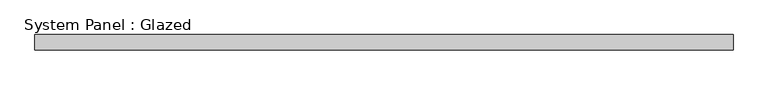
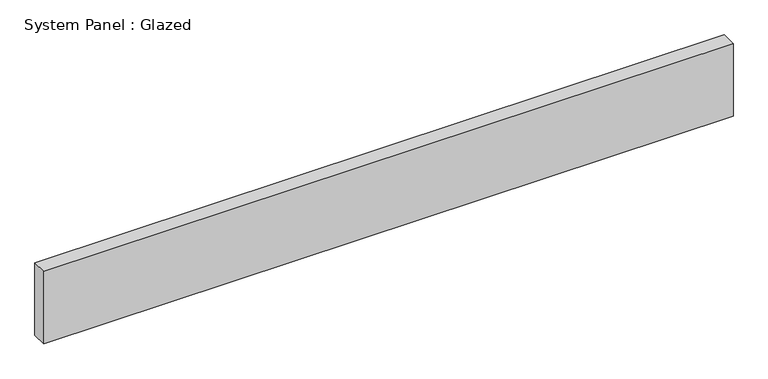
"""IFC4 building model written with IfcOpenShell, lengths in millimetres: plate geometry, System Panel : Glazed."""

from ifc_helpers import new_model, si_unit, origin, origin_with_axes, place, context, project, spatial, polyline, outline, extrude, source, transform, mapped, element, save


def system_panel_glazed_820662c4(model_context):
    return source(origin(), model_context, "Body", "SweptSolid", [
        extrude(outline(polyline([(571.5, -12.7), (-571.5, -12.7), (-571.5, 12.7), (571.5, 12.7), (571.5, -12.7)])), origin_with_axes(), (0.0, 0.0, 1.0), 127.0),
    ])


if __name__ == "__main__":
    model = new_model("IFC4")
    model_context = context("Model", 3, world=origin())
    ifc_project = project(units=[si_unit("LENGTHUNIT", "METRE", prefix="MILLI")], contexts=[model_context])
    site = spatial("IfcSite", under=ifc_project)
    building = spatial("IfcBuilding", under=site)
    placement = place(None, origin())
    system_panel_glazed_shape = system_panel_glazed_820662c4(model_context)
    element("IfcPlate", 1, ObjectType="System Panel : Glazed", at=placement, inside=building, context=model_context, shape_type="MappedRepresentation", body=[
        mapped(system_panel_glazed_shape, transform((0.0, 0.0, 0.0), x_axis=(1.0, 0.0, 0.0), y_axis=(0.0, 1.0, 0.0), z_axis=(0.0, 0.0, 1.0))),
    ])
    save(model, "model.ifc")
